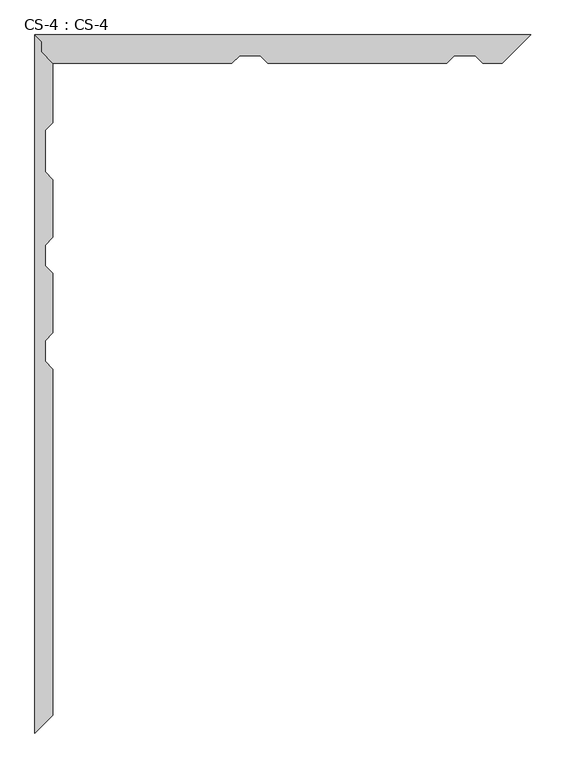
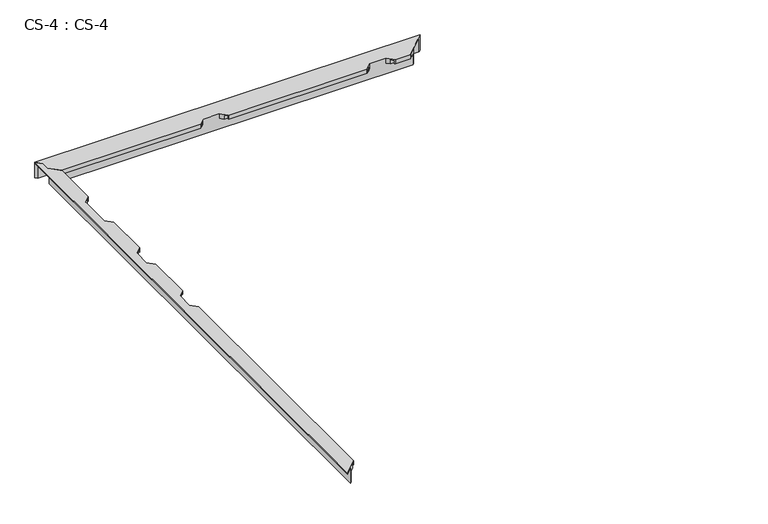
"""IFC4 building model written with IfcOpenShell, lengths in millimetres: proxy geometry, CS-4 : CS-4."""

from ifc_helpers import new_model, si_unit, origin, place, context, project, spatial, faceted_brep, source, transform, mapped, element, save


def cs_4_cs_4_2bac7bc6(model_context):
    return source(origin(), model_context, "Body", "Brep", [
        faceted_brep([(0.0, 2227.58, 0.0), (1582.4203861, 2227.58, 0.0), (1575.4353861, 2220.595, 0.0), (6.985, 2220.595, 0.0), (6.985, 2220.595, 63.5), (1575.4353861, 2220.595, 63.5), (21.59, 2205.99, 63.5), (1523.3653861, 2168.525, 63.5), (27.1106122, 2168.525, 63.5), (21.59, 2174.24, 63.5), (27.1106122, 2168.525, 0.0), (1523.3653861, 2168.525, 0.0), (1516.3803861, 2161.54, 0.0), (33.8580272, 2161.54, 0.0), (33.8580272, 2161.54, 46.355), (1516.3803861, 2161.54, 46.355), (1404.6202032, 2161.54, 46.355), (1404.6202032, 2161.54, 66.675), (1338.5802032, 2161.54, 66.675), (1338.5802032, 2161.54, 46.355), (718.8201016, 2161.54, 46.355), (718.8201016, 2161.54, 66.675), (652.7801016, 2161.54, 66.675), (652.7801016, 2161.54, 46.355), (46.2487347, 2148.713, 46.355), (639.9531016, 2148.713, 46.355), (1503.5533861, 2148.713, 46.355), (1417.4472032, 2148.713, 46.355), (731.6471016, 2148.713, 46.355), (1325.7532032, 2148.713, 46.355), (46.2487347, 2148.713, 63.5), (639.9531016, 2148.713, 63.5), (1503.5533861, 2148.713, 63.5), (1417.4472032, 2148.713, 63.5), (731.6471016, 2148.713, 63.5), (1325.7532032, 2148.713, 63.5), (56.1858367, 2138.426, 63.5), (629.6661016, 2138.426, 63.5), (1493.2663861, 2138.426, 63.5), (1427.7342032, 2138.426, 63.5), (741.9341016, 2138.426, 63.5), (1315.4662032, 2138.426, 63.5), (56.1858367, 2138.426, 49.8094), (629.6661016, 2138.426, 49.8094), (1493.2663861, 2138.426, 49.8094), (1427.7342032, 2138.426, 49.8094), (741.9341016, 2138.426, 49.8094), (1315.4662032, 2138.426, 49.8094), (57.658, 2136.902, 49.8094), (628.1421016, 2136.902, 49.8094), (1491.7423861, 2136.902, 49.8094), (1429.2582032, 2136.902, 49.8094), (743.4581016, 2136.902, 49.8094), (1313.9422032, 2136.902, 49.8094), (57.658, 2136.902, 66.675), (628.1421016, 2136.902, 66.675), (1491.7423861, 2136.902, 66.675), (1429.2582032, 2136.902, 66.675), (743.4581016, 2136.902, 66.675), (1313.9422032, 2136.902, 66.675), (1582.4203861, 2227.58, 66.675), (0.0, 2227.58, 66.675), (21.59, 2205.99, 66.675), (21.59, 2174.24, 66.675)], [[[0, 1, 2, 3]], [[4, 3, 2, 5]], [[6, 4, 5, 7, 8, 9]], [[10, 8, 7, 11]], [[12, 13, 10, 11]], [[14, 13, 12, 15, 16, 17, 18, 19, 20, 21, 22, 23]], [[24, 14, 23, 25]], [[15, 26, 27, 16]], [[28, 20, 19, 29]], [[30, 24, 25, 31]], [[26, 32, 33, 27]], [[34, 28, 29, 35]], [[36, 30, 31, 37]], [[32, 38, 39, 33]], [[40, 34, 35, 41]], [[42, 36, 37, 43]], [[38, 44, 45, 39]], [[46, 40, 41, 47]], [[48, 42, 43, 49]], [[44, 50, 51, 45]], [[52, 46, 47, 53]], [[54, 48, 49, 55]], [[50, 56, 57, 51]], [[58, 52, 53, 59]], [[60, 61, 62, 63, 54, 55, 22, 21, 58, 59, 18, 17, 57, 56]], [[1, 0, 61, 60]], [[6, 62, 61, 0, 3, 4]], [[63, 9, 8, 10, 13, 14, 24, 30, 36, 42, 48, 54]], [[62, 6, 9, 63]], [[2, 1, 60, 56, 50, 44, 38, 32, 26, 15, 12, 11, 7, 5]], [[21, 20, 28, 34, 40, 46, 52, 58]], [[23, 22, 55, 49, 43, 37, 31, 25]], [[17, 16, 27, 33, 39, 45, 51, 57]], [[19, 18, 59, 53, 47, 41, 35, 29]]]),
        faceted_brep([(0.0, 2227.58, 66.675), (0.0, 0.0, 66.675), (57.658, 57.658, 66.675), (57.658, 1161.5420292, 66.675), (33.02, 1186.1800292, 66.675), (33.02, 1252.2200292, 66.675), (57.658, 1276.8580292, 66.675), (57.658, 1466.342, 66.675), (33.02, 1490.98, 66.675), (33.02, 1557.02, 66.675), (57.658, 1581.658, 66.675), (57.658, 1766.062, 66.675), (33.02, 1790.7, 66.675), (33.02, 1922.78, 66.675), (57.658, 1947.418, 66.675), (57.658, 2136.902, 66.675), (21.59, 2174.24, 66.675), (21.59, 2205.99, 66.675), (0.0, 2227.58, 63.5), (0.0, 0.0, 63.5), (21.59, 2205.99, 63.5), (21.59, 2174.24, 63.5), (26.035, 2169.6384859, 63.5), (26.035, 26.035, 63.5), (26.035, 26.035, 0.0), (26.035, 2169.6384859, 0.0), (33.02, 2162.4075352, 0.0), (33.02, 33.02, 0.0), (33.02, 33.02, 46.355), (33.02, 2162.4075352, 46.355), (33.02, 1922.78, 46.355), (33.02, 1790.7, 46.355), (33.02, 1557.02, 46.355), (33.02, 1490.98, 46.355), (33.02, 1252.2200292, 46.355), (33.02, 1186.1800292, 46.355), (45.847, 45.847, 46.355), (45.847, 1173.3530292, 46.355), (45.847, 2149.1288803, 46.355), (45.847, 1935.607, 46.355), (45.847, 1265.0470292, 46.355), (45.847, 1478.153, 46.355), (45.847, 1569.847, 46.355), (45.847, 1777.873, 46.355), (45.847, 45.847, 64.643), (45.847, 1173.3530292, 64.643), (45.847, 2149.1288803, 64.643), (45.847, 1935.607, 64.643), (45.847, 1265.0470292, 64.643), (45.847, 1478.153, 64.643), (45.847, 1569.847, 64.643), (45.847, 1777.873, 64.643), (56.134, 56.134, 64.643), (56.134, 1163.0660292, 64.643), (56.134, 2138.479662, 64.643), (56.134, 1945.894, 64.643), (56.134, 1275.3340292, 64.643), (56.134, 1467.866, 64.643), (56.134, 1580.134, 64.643), (56.134, 1767.586, 64.643), (56.134, 56.134, 49.8094), (56.134, 1163.0660292, 49.8094), (56.134, 2138.479662, 49.8094), (56.134, 1945.894, 49.8094), (56.134, 1275.3340292, 49.8094), (56.134, 1467.866, 49.8094), (56.134, 1580.134, 49.8094), (56.134, 1767.586, 49.8094), (57.658, 57.658, 49.8094), (57.658, 1161.5420292, 49.8094), (57.658, 2136.902, 49.8094), (57.658, 1947.418, 49.8094), (57.658, 1276.8580292, 49.8094), (57.658, 1466.342, 49.8094), (57.658, 1581.658, 49.8094), (57.658, 1766.062, 49.8094)], [[[0, 1, 2, 3, 4, 5, 6, 7, 8, 9, 10, 11, 12, 13, 14, 15, 16, 17]], [[1, 0, 18, 19]], [[19, 18, 20, 21, 22, 23]], [[24, 23, 22, 25]], [[26, 27, 24, 25]], [[28, 27, 26, 29, 30, 13, 12, 31, 32, 9, 8, 33, 34, 5, 4, 35]], [[36, 28, 35, 37]], [[29, 38, 39, 30]], [[40, 34, 33, 41]], [[42, 32, 31, 43]], [[44, 36, 37, 45]], [[38, 46, 47, 39]], [[48, 40, 41, 49]], [[50, 42, 43, 51]], [[52, 44, 45, 53]], [[46, 54, 55, 47]], [[56, 48, 49, 57]], [[58, 50, 51, 59]], [[60, 52, 53, 61]], [[54, 62, 63, 55]], [[64, 56, 57, 65]], [[66, 58, 59, 67]], [[68, 60, 61, 69]], [[62, 70, 71, 63]], [[72, 64, 65, 73]], [[74, 66, 67, 75]], [[2, 68, 69, 3]], [[70, 15, 14, 71]], [[6, 72, 73, 7]], [[10, 74, 75, 11]], [[2, 1, 19, 23, 24, 27, 28, 36, 44, 52, 60, 68]], [[20, 17, 16, 21]], [[21, 16, 15, 70, 62, 54, 46, 38, 29, 26, 25, 22]], [[17, 20, 18, 0]], [[5, 34, 40, 48, 56, 64, 72, 6]], [[35, 4, 3, 69, 61, 53, 45, 37]], [[9, 32, 42, 50, 58, 66, 74, 10]], [[33, 8, 7, 73, 65, 57, 49, 41]], [[31, 12, 11, 75, 67, 59, 51, 43]], [[13, 30, 39, 47, 55, 63, 71, 14]]]),
    ])


if __name__ == "__main__":
    model = new_model("IFC4")
    model_context = context("Model", 3, world=origin())
    ifc_project = project(units=[si_unit("LENGTHUNIT", "METRE", prefix="MILLI")], contexts=[model_context])
    site = spatial("IfcSite", under=ifc_project)
    building = spatial("IfcBuilding", under=site)
    placement = place(None, origin())
    cs_4_cs_4_shape = cs_4_cs_4_2bac7bc6(model_context)
    element("IfcBuildingElementProxy", 1, Name="CS-4 : CS-4", ObjectType="CS-4 : CS-4", at=placement, inside=building, context=model_context, shape_type="MappedRepresentation", body=[
        mapped(cs_4_cs_4_shape, transform((0.0, 0.0, 0.0), x_axis=(1.0, 0.0, 0.0), y_axis=(0.0, 1.0, 0.0), z_axis=(0.0, 0.0, 1.0))),
    ])
    save(model, "model.ifc")
